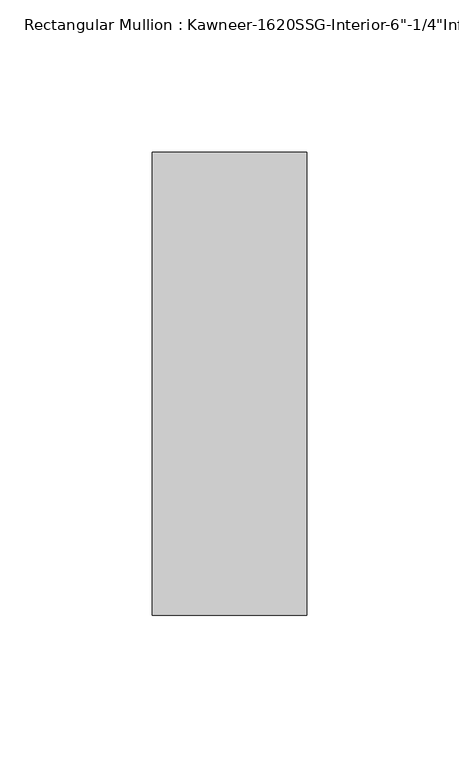
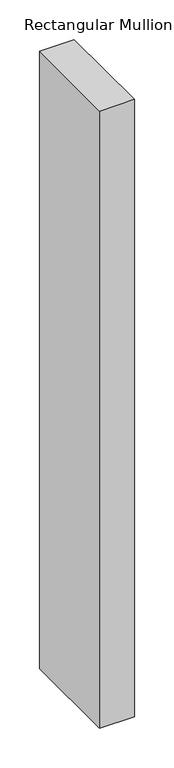
"""IFC4 building model written with IfcOpenShell, lengths in millimetres: member geometry."""

from ifc_helpers import new_model, si_unit, frame, origin, place, context, project, spatial, polyline, outline, extrude, source, transform, mapped, element, save


def member_7ebdc1c8(model_context):
    return source(origin(), model_context, "Body", "SweptSolid", [
        extrude(outline(polyline([(25.4, 123.825), (25.4, -28.575), (-25.4, -28.575), (-25.4, 123.825), (25.4, 123.825)])), frame((0.0, 0.0, -952.5), z_axis=(0.0, 0.0, 1.0), x_axis=(1.0, 0.0, 0.0)), (0.0, 0.0, 1.0), 952.5),
    ])


if __name__ == "__main__":
    model = new_model("IFC4")
    model_context = context("Model", 3, world=origin())
    ifc_project = project(units=[si_unit("LENGTHUNIT", "METRE", prefix="MILLI")], contexts=[model_context])
    site = spatial("IfcSite", under=ifc_project)
    building = spatial("IfcBuilding", under=site)
    placement = place(None, origin())
    member_shape = member_7ebdc1c8(model_context)
    element("IfcMember", 1, ObjectType="Rectangular Mullion : Kawneer-1620SSG-Interior-6\"-1/4\"Infill", at=placement, inside=building, context=model_context, shape_type="MappedRepresentation", body=[
        mapped(member_shape, transform((0.0, 0.0, 0.0), x_axis=(1.0, 0.0, 0.0), y_axis=(0.0, 1.0, 0.0), z_axis=(0.0, 0.0, 1.0))),
    ])
    save(model, "model.ifc")
